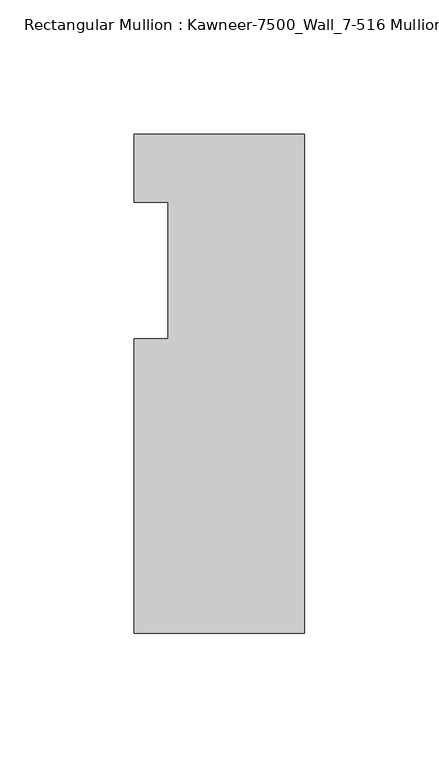
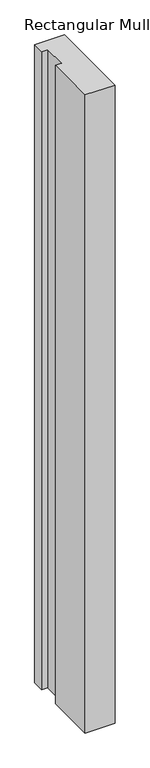
"""IFC4 building model written with IfcOpenShell, lengths in millimetres: member geometry, Rectangular Mullion : Kawneer-7500_Wall_7-516 Mullion_Head."""

from ifc_helpers import new_model, si_unit, frame, origin, place, context, project, spatial, polyline, outline, extrude, source, transform, mapped, element, save


def rectangular_mullion_kawneer_7500_wall_7_516_mullion_head_854cfa9d(model_context):
    return source(origin(), model_context, "Body", "SweptSolid", [
        extrude(outline(polyline([(-63.5, -134.9375), (-63.5, -25.4), (-50.7982296, -25.4), (-50.7982296, 25.4), (-63.5, 25.4), (-63.5, 50.8), (0.0, 50.8), (0.0, -134.9375), (-63.5, -134.9375)])), frame((0.0, 0.0, -1433.0844027), z_axis=(0.0, 0.0, 1.0), x_axis=(1.0, 0.0, 0.0)), (0.0, 0.0, 1.0), 1433.0844027),
    ])


if __name__ == "__main__":
    model = new_model("IFC4")
    model_context = context("Model", 3, world=origin())
    ifc_project = project(units=[si_unit("LENGTHUNIT", "METRE", prefix="MILLI")], contexts=[model_context])
    site = spatial("IfcSite", under=ifc_project)
    building = spatial("IfcBuilding", under=site)
    placement = place(None, origin())
    rectangular_mullion_kawneer_7500_wall_7_516_mullion_head_shape = rectangular_mullion_kawneer_7500_wall_7_516_mullion_head_854cfa9d(model_context)
    element("IfcMember", 1, ObjectType="Rectangular Mullion : Kawneer-7500_Wall_7-516 Mullion_Head", at=placement, inside=building, context=model_context, shape_type="MappedRepresentation", body=[
        mapped(rectangular_mullion_kawneer_7500_wall_7_516_mullion_head_shape, transform((0.0, 0.0, 0.0), x_axis=(1.0, 0.0, 0.0), y_axis=(0.0, 1.0, 0.0), z_axis=(0.0, 0.0, 1.0))),
    ])
    save(model, "model.ifc")
